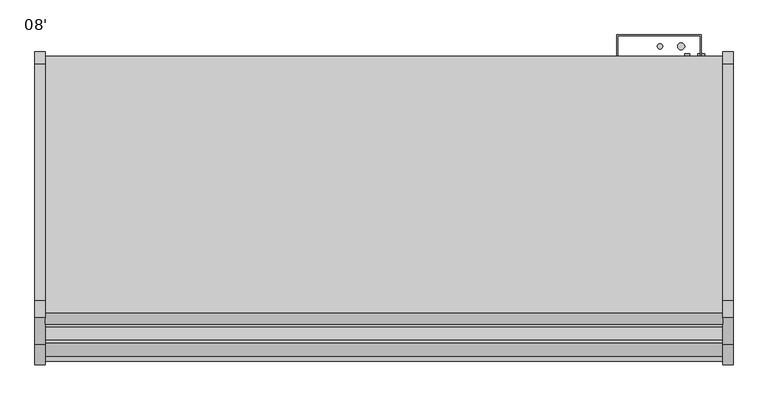
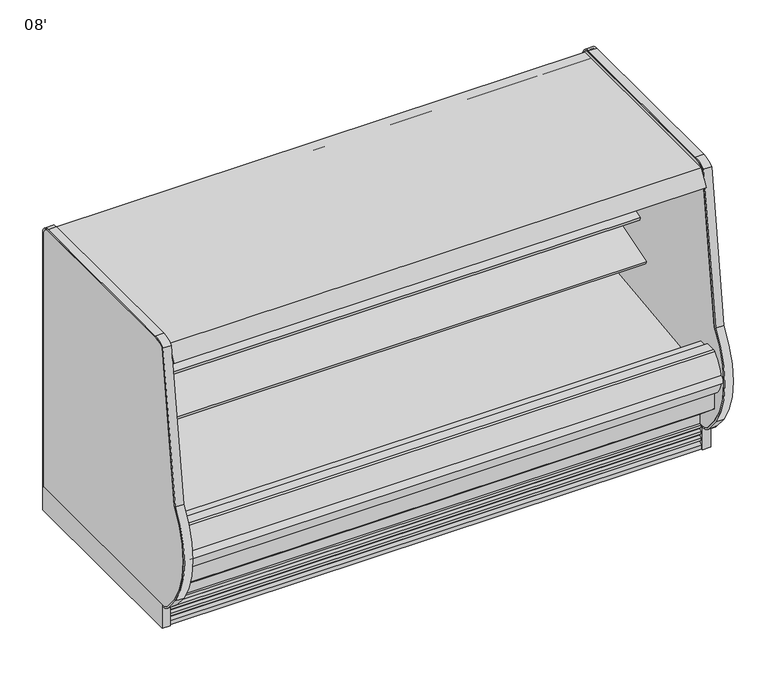
"""IFC4 building model written with IfcOpenShell, lengths in millimetres: proxy geometry, 08'."""

import ifcopenshell
import ifcopenshell.guid

model = None  # the IFC model being written
_history = None  # IfcOwnerHistory: only IFC2X3 demands one
_inside = {}  # id of a spatial element -> (the spatial element, [elements in it])
_under = {}  # id of a project, library or spatial element -> (it, [spatial elements below it])
_declared = {}  # id of a project -> (the project, [libraries it declares])
_typed = {}  # id of a type object -> (the type object, [elements of that type])
_made_of = {}  # id of a material, layer set ... -> (it, [elements and type objects made of it])


def new_model(schema):
    """Start an empty IFC model of exactly this schema.

    Asked for "IFC4X3", IfcOpenShell would pick the latest addendum, in which some entities
    have other attributes; the version numbers below select the first issue.
    IFC2X3 requires an IfcOwnerHistory on every rooted entity: one is made here for all.
    """
    global model, _history
    if schema == "IFC4X3":
        model = ifcopenshell.file(schema_version=(4, 3, 0, 0))
    else:
        model = ifcopenshell.file(schema=schema)
    _inside.clear()
    _under.clear()
    _declared.clear()
    _typed.clear()
    _made_of.clear()
    _history = None
    if model.schema == "IFC2X3":
        org = make("IfcOrganization", Name="unknown")
        user = make(
            "IfcPersonAndOrganization",
            ThePerson=make("IfcPerson", FamilyName="unknown"),
            TheOrganization=org,
        )
        app = make(
            "IfcApplication",
            ApplicationDeveloper=org,
            Version="unknown",
            ApplicationFullName="unknown",
            ApplicationIdentifier="unknown",
        )
        _history = make(
            "IfcOwnerHistory",
            OwningUser=user,
            OwningApplication=app,
            ChangeAction="ADDED",
            CreationDate=0,
        )
    return model


def make(cls, **values):
    """One entity of the class cls with the attributes given. An attribute that is None is left unset."""
    return model.create_entity(
        cls, **{name: value for name, value in values.items() if value is not None}
    )


def rooted(cls, **values):
    """An entity with a GlobalId (a new one), such as an element, a storey or a relation."""
    return make(cls, GlobalId=ifcopenshell.guid.new(), OwnerHistory=_history, **values)


def si_unit(unit_type, name, prefix=None):
    """IfcSIUnit, for example si_unit("LENGTHUNIT", "METRE", prefix="MILLI")."""
    return make("IfcSIUnit", UnitType=unit_type, Prefix=prefix, Name=name)


def assignment(units):
    """IfcUnitAssignment: the units of a project."""
    return None if units is None else make("IfcUnitAssignment", Units=units)


def point(xyz):
    """IfcCartesianPoint."""
    return None if xyz is None else make("IfcCartesianPoint", Coordinates=xyz)


def direction(xyz):
    """IfcDirection."""
    return None if xyz is None else make("IfcDirection", DirectionRatios=xyz)


def frame(location, z_axis=None, x_axis=None):
    """IfcAxis2Placement3D, a coordinate frame: its origin and axes. An axis left out is left unset."""
    return make(
        "IfcAxis2Placement3D",
        Location=point(location),
        Axis=direction(z_axis),
        RefDirection=direction(x_axis),
    )


def frame_2d(location, x_axis=None):
    """IfcAxis2Placement2D, a coordinate frame in the plane: its origin and x axis."""
    return make(
        "IfcAxis2Placement2D", Location=point(location), RefDirection=direction(x_axis)
    )


def origin():
    """The frame at (0, 0, 0) with its axes left unset."""
    return frame((0.0, 0.0, 0.0))


def origin_with_axes():
    """The frame at (0, 0, 0) with the z axis (0, 0, 1) and the x axis (1, 0, 0) written out."""
    return frame((0.0, 0.0, 0.0), z_axis=(0.0, 0.0, 1.0), x_axis=(1.0, 0.0, 0.0))


def place(relative_to, where):
    """IfcLocalPlacement: puts the frame where relative to a parent placement (None: the world)."""
    return make(
        "IfcLocalPlacement", PlacementRelTo=relative_to, RelativePlacement=where
    )


def context(
    kind, dimensions, precision=None, world=None, true_north=None, identifier=None
):
    """IfcGeometricRepresentationContext, for example the 3D "Model" context."""
    return make(
        "IfcGeometricRepresentationContext",
        ContextIdentifier=identifier,
        ContextType=kind,
        CoordinateSpaceDimension=dimensions,
        Precision=precision,
        WorldCoordinateSystem=world,
        TrueNorth=true_north,
    )


def project(units=None, contexts=None):
    """IfcProject with its units and contexts."""
    return rooted(
        "IfcProject",
        Name="project",
        RepresentationContexts=contexts,
        UnitsInContext=assignment(units),
    )


def spatial(cls, under=None, at=None, **own):
    """A site, building, storey or space (cls), placed at a placement, below another one or the project."""
    s = rooted(cls, ObjectPlacement=at, **own)
    if under is not None:
        _under.setdefault(under.id(), (under, []))[1].append(s)
    return s


def polyline(points):
    """IfcPolyline through the points."""
    return make("IfcPolyline", Points=[point(p) for p in points])


def circle_curve(where, radius):
    """IfcCircle in the frame where."""
    return make("IfcCircle", Position=where, Radius=radius)


def trimmed(basis, trim1, trim2, sense, master):
    """IfcTrimmedCurve: the piece of a basis curve between two trims."""
    return make(
        "IfcTrimmedCurve",
        BasisCurve=basis,
        Trim1=trim1,
        Trim2=trim2,
        SenseAgreement=sense,
        MasterRepresentation=master,
    )


def segment(curve, same_sense, transition):
    """IfcCompositeCurveSegment."""
    return make(
        "IfcCompositeCurveSegment",
        Transition=transition,
        SameSense=same_sense,
        ParentCurve=curve,
    )


def composite_curve(segments, self_intersect=None):
    """IfcCompositeCurve: segments joined end to end."""
    return make("IfcCompositeCurve", Segments=segments, SelfIntersect=self_intersect)


def outline(outer, holes=None, kind="AREA"):
    """IfcArbitraryClosedProfileDef: a profile drawn as a closed curve; with holes, ...WithVoids."""
    if holes is None:
        return make("IfcArbitraryClosedProfileDef", ProfileType=kind, OuterCurve=outer)
    return make(
        "IfcArbitraryProfileDefWithVoids",
        ProfileType=kind,
        OuterCurve=outer,
        InnerCurves=holes,
    )


def extrude(swept, where, along, depth):
    """IfcExtrudedAreaSolid: the profile swept, set in the frame where, extruded along a direction by depth."""
    return make(
        "IfcExtrudedAreaSolid",
        SweptArea=swept,
        Position=where,
        ExtrudedDirection=direction(along),
        Depth=depth,
    )


def shape(context_of_items, identifier, shape_type, items):
    """IfcShapeRepresentation: the items that make up one representation, for example the "Body"."""
    return make(
        "IfcShapeRepresentation",
        ContextOfItems=context_of_items,
        RepresentationIdentifier=identifier,
        RepresentationType=shape_type,
        Items=items,
    )


def source(mapping_origin, context_of_items, identifier, shape_type, items):
    """IfcRepresentationMap: a shape defined once, which mapped items show again and again."""
    return make(
        "IfcRepresentationMap",
        MappingOrigin=mapping_origin,
        MappedRepresentation=shape(context_of_items, identifier, shape_type, items),
    )


def transform(
    local_origin,
    x_axis=None,
    y_axis=None,
    z_axis=None,
    scale=None,
    scale2=None,
    scale3=None,
    uniform=True,
):
    """IfcCartesianTransformationOperator3D, or its non-uniform kind. x_axis, y_axis, z_axis: its Axis1, 2, 3."""
    if uniform:
        return make(
            "IfcCartesianTransformationOperator3D",
            Axis1=direction(x_axis),
            Axis2=direction(y_axis),
            LocalOrigin=point(local_origin),
            Scale=scale,
            Axis3=direction(z_axis),
        )
    return make(
        "IfcCartesianTransformationOperator3DnonUniform",
        Axis1=direction(x_axis),
        Axis2=direction(y_axis),
        LocalOrigin=point(local_origin),
        Scale=scale,
        Axis3=direction(z_axis),
        Scale2=scale2,
        Scale3=scale3,
    )


def mapped(mapping_source, mapping_target):
    """IfcMappedItem: shows the shape of a source again, moved by a transform."""
    return make(
        "IfcMappedItem", MappingSource=mapping_source, MappingTarget=mapping_target
    )


def made_of(thing, what):
    """Note that an element or type object is made of a material, layer set ...; save() writes the relation."""
    if what is not None:
        _made_of.setdefault(what.id(), (what, []))[1].append(thing)
    return thing


def element(
    cls,
    number,
    at=None,
    inside=None,
    cuts=None,
    type_object=None,
    material=None,
    context=None,
    identifier="Body",
    shape_type=None,
    held_by="IfcProductDefinitionShape",
    body=None,
    shapes=None,
    **own,
):
    """One element of the class cls, such as IfcWall. Its Tag is "e" and its number.

    at: its placement. inside: the storey or other place that contains it. cuts: it is an
    opening in that element (IfcRelVoidsElement). A single representation is given by context,
    identifier, shape_type and body (its items); several are given by shapes. held_by: the class
    of the entity that holds the representations. save() writes the other relations.
    """
    e = rooted(cls, Tag="e%d" % number, ObjectPlacement=at, **own)
    if body is not None:
        shapes = [shape(context, identifier, shape_type, body)]
    if shapes is not None:
        e.Representation = make(held_by, Representations=shapes)
    if inside is not None:
        _inside.setdefault(inside.id(), (inside, []))[1].append(e)
    if cuts is not None:
        rooted(
            "IfcRelVoidsElement", RelatingBuildingElement=cuts, RelatedOpeningElement=e
        )
    if type_object is not None:
        _typed.setdefault(type_object.id(), (type_object, []))[1].append(e)
    return made_of(e, material)


def aggregate(whole, parts):
    """IfcRelAggregates: a whole, such as a stair, and the parts it consists of."""
    return rooted("IfcRelAggregates", RelatingObject=whole, RelatedObjects=parts)


def save(model, path):
    """Write the relations noted so far, then the file.

    IfcRelAggregates (storeys below a building ...), IfcRelContainedInSpatialStructure (elements
    in a storey), IfcRelDefinesByType, IfcRelAssociatesMaterial and IfcRelDeclares: one each for
    every whole, place, type object, material and project.
    """
    for whole, parts in _under.values():
        aggregate(whole, parts)
    for where, things in _inside.values():
        rooted(
            "IfcRelContainedInSpatialStructure",
            RelatedElements=things,
            RelatingStructure=where,
        )
    for kind, things in _typed.values():
        rooted("IfcRelDefinesByType", RelatedObjects=things, RelatingType=kind)
    for what, things in _made_of.values():
        rooted("IfcRelAssociatesMaterial", RelatedObjects=things, RelatingMaterial=what)
    for by, libraries in _declared.values():
        rooted("IfcRelDeclares", RelatingContext=by, RelatedDefinitions=libraries)
    model.write(path)


def plane_surface(at):
    """IfcPlane: the flat surface through the origin of the frame at, square to its z axis."""
    return make("IfcPlane", Position=at)


def cylinder_surface(at, radius):
    """IfcCylindricalSurface: all points at the distance radius from the z axis of the frame at."""
    return make("IfcCylindricalSurface", Position=at, Radius=radius)


def revolved_surface(curve, axis_point, axis_direction):
    """IfcSurfaceOfRevolution: the curve turned about the line through axis_point along axis_direction."""
    return make(
        "IfcSurfaceOfRevolution",
        SweptCurve=make("IfcArbitraryOpenProfileDef", ProfileType="CURVE", Curve=curve),
        AxisPosition=make("IfcAxis1Placement", Location=point(axis_point), Axis=direction(axis_direction)),
    )


def advanced_brep(points, edges, surfaces, faces):
    """IfcAdvancedBrep: a solid bounded by faces that lie on surfaces and meet in shared edges.

    An edge is (start, end): straight between two places in points (the first is 0);
    or (start, end, curve); or (start, end, curve, False) where it runs against its curve.
    A face is (place in surfaces, loops), or (place, loops, False) where it looks against
    its surface's normal. A loop lists edges by number (the first is 1), with a minus sign
    where the edge is run from its end to its start. The first loop is the outer one.
    """
    corners = [point(p) for p in points]
    vertices = [make("IfcVertexPoint", VertexGeometry=c) for c in corners]
    made = []
    for start, end, *more in edges:
        made.append(
            make(
                "IfcEdgeCurve",
                EdgeStart=vertices[start],
                EdgeEnd=vertices[end],
                EdgeGeometry=more[0] if more else make("IfcPolyline", Points=[corners[start], corners[end]]),
                SameSense=more[1] if len(more) > 1 else True,
            )
        )
    hull = []
    for where, loops, *sense in faces:
        bounds = []
        for j, loop in enumerate(loops):
            ring = [make("IfcOrientedEdge", EdgeElement=made[abs(k) - 1], Orientation=k > 0) for k in loop]
            bounds.append(
                make(
                    "IfcFaceOuterBound" if j == 0 else "IfcFaceBound",
                    Bound=make("IfcEdgeLoop", EdgeList=ring),
                    Orientation=True,
                )
            )
        hull.append(make("IfcAdvancedFace", Bounds=bounds, FaceSurface=surfaces[where], SameSense=sense[0] if sense else True))
    return make("IfcAdvancedBrep", Outer=make("IfcClosedShell", CfsFaces=hull))


def proxy_08_444052d3(model_context):
    return source(origin(), model_context, "Body", "SolidModel", [
        extrude(outline(polyline([(-401.5420871, 1362.075), (-401.5420871, 1282.7), (-1093.7252469, 1282.7), (-1105.8015638, 1256.802255), (-1200.4085361, 1300.9182107), (-1225.1961342, 1305.288933), (-1309.2527356, 1334.231942), (-1332.5110244, 1334.231942), (-1360.1052943, 1286.4372646), (-1366.903609, 1290.3622734), (-1325.5002469, 1362.075), (-401.5420871, 1362.075)])), frame((0.0, 0.0, 0.0), z_axis=(1.0, 0.0, 0.0), x_axis=(0.0, 1.0, 0.0)), (0.0, 0.0, 1.0), 2438.4),
        extrude(outline(composite_curve([segment(polyline([(-1096.5213314, 1282.4140888), (-1106.5849287, 1260.8326346), (-1113.060516, 1263.8522505), (-1190.7525796, 1300.0806548), (-1197.8046638, 1303.4346622)]), True, "CONTINUOUS"), segment(trimmed(circle_curve(frame_2d((-1197.4664735, 1304.145736)), 0.7874), [point((-1197.8046638, 1303.4346622))], [point((-1198.1775473, 1304.4839264))], False, "CARTESIAN"), True, "CONTINUOUS"), segment(polyline([(-1198.1775473, 1304.4839264), (-1188.316007, 1325.218649), (-1096.5213314, 1282.4140888)]), True, "CONTINUOUS")], self_intersect=False)), frame((0.0, 0.0, 0.0), z_axis=(1.0, 0.0, 0.0), x_axis=(0.0, 1.0, 0.0)), (0.0, 0.0, 1.0), 2438.4),
        extrude(outline(composite_curve([segment(trimmed(circle_curve(frame_2d((-1261.1428884, 1298.0740592)), 14.2875), [point((-1274.5687467, 1302.960672))], [point((-1247.7170301, 1293.1874464))], False, "CARTESIAN"), True, "CONTINUOUS"), segment(trimmed(circle_curve(frame_2d((-1261.1428884, 1298.0740592)), 14.2875), [point((-1247.7170301, 1293.1874464))], [point((-1274.5687467, 1302.960672))], False, "CARTESIAN"), True, "CONTINUOUS")], self_intersect=False)), frame((0.0, 0.0, 0.0), z_axis=(1.0, 0.0, 0.0), x_axis=(0.0, 1.0, 0.0)), (0.0, 0.0, 1.0), 2438.4),
        extrude(outline(composite_curve([segment(trimmed(circle_curve(frame_2d((-1296.2768679, 1310.8617819)), 14.2875), [point((-1309.7027262, 1315.7483947))], [point((-1282.8510095, 1305.9751691))], False, "CARTESIAN"), True, "CONTINUOUS"), segment(trimmed(circle_curve(frame_2d((-1296.2768679, 1310.8617819)), 14.2875), [point((-1282.8510095, 1305.9751691))], [point((-1309.7027262, 1315.7483947))], False, "CARTESIAN"), True, "CONTINUOUS")], self_intersect=False)), frame((0.0, 0.0, 0.0), z_axis=(1.0, 0.0, 0.0), x_axis=(0.0, 1.0, 0.0)), (0.0, 0.0, 1.0), 2438.4),
        advanced_brep(
        [(2438.4, -503.5101743, 931.1949857), (2438.4, -843.5721456, 827.2276075), (2438.4, -839.4134505, 813.6251286), (2438.4, -785.6425933, 830.0645294), (2438.4, -783.2129491, 827.2095892), (2438.4, -595.4964367, 859.8203852), (2438.4, -560.8622707, 856.1425043), (2438.4, -539.5668728, 847.5478657), (2438.4, -522.2225366, 846.9415182), (2438.4, -503.5101743, 852.9872079), (0.0, -503.5101743, 931.1949857), (0.0, -503.5101743, 852.9872079), (0.0, -522.2151998, 846.918903), (0.0, -539.5668728, 847.5478657), (0.0, -560.8622707, 856.1425043), (0.0, -595.4964367, 859.8203852), (0.0, -783.2129491, 827.2095892), (0.0, -785.6425933, 830.0645294), (0.0, -839.4134505, 813.6251286), (0.0, -843.5721456, 827.2276075)],
        [
            (0, 1),
            (1, 2),
            (2, 3),
            (3, 4),
            (4, 5),
            (5, 6, circle_curve(frame((2438.4, -584.627774, 797.2574396), z_axis=(-1.0, 0.0, 0.0), x_axis=(0.0, 1.0, 0.0)), 63.5)),
            (6, 7),
            (7, 8, circle_curve(frame((2438.4, -530.0606714, 871.1018916), z_axis=(1.0, 0.0, 0.0), x_axis=(0.0, 1.0, 0.0)), 25.4)),
            (8, 9),
            (9, 0),
            (10, 11),
            (11, 12),
            (12, 13, circle_curve(frame((0.0, -530.0606714, 871.1018916), z_axis=(-1.0, 0.0, 0.0), x_axis=(0.0, 1.0, 0.0)), 25.4)),
            (13, 14),
            (14, 15, circle_curve(frame((0.0, -584.627774, 797.2574396), z_axis=(1.0, 0.0, 0.0), x_axis=(0.0, 1.0, 0.0)), 63.5)),
            (15, 16),
            (16, 17),
            (17, 18),
            (18, 19),
            (19, 10),
            (0, 10),
            (19, 1),
            (2, 18),
            (17, 3),
            (8, 12),
            (11, 9),
            (16, 4),
            (15, 5),
            (14, 6),
            (13, 7),
        ],
        [
            plane_surface(frame((2438.4, -503.5101743, 931.1949857), z_axis=(1.0, 0.0, 0.0), x_axis=(0.0, -0.9563047559631227, -0.2923717047224515))),
            plane_surface(frame((0.0, -503.5101743, 931.1949857), z_axis=(-1.0, 0.0, 0.0), x_axis=(0.0, 0.9563047559631227, 0.2923717047224515))),
            plane_surface(frame((2438.4, -503.5101743, 931.1949857), z_axis=(0.0, -0.2923717047224515, 0.9563047559631227), x_axis=(-1.0, 0.0, 0.0))),
            plane_surface(frame((2438.4, -839.4134505, 813.6251286), z_axis=(0.0, 0.2923717047224507, -0.9563047559631229), x_axis=(-1.0, 0.0, 0.0))),
            plane_surface(frame((2438.4, -522.2151998, 846.918903), z_axis=(0.0, 0.3085879853198186, -0.9511958028272914), x_axis=(-1.0, 0.0, 0.0))),
            plane_surface(frame((2438.4, -503.5101743, 852.9872079), z_axis=(0.0, 1.0, 0.0), x_axis=(-1.0, 0.0, 0.0))),
            plane_surface(frame((2438.4, -843.5721456, 827.2276075), z_axis=(0.0, -0.9563047559631227, -0.29237170472245155), x_axis=(-1.0, 0.0, 0.0))),
            plane_surface(frame((2438.4, -785.6425933, 830.0645294), z_axis=(0.0, -0.761551533788134, -0.648104359949029), x_axis=(-1.0, 0.0, 0.0))),
            plane_surface(frame((2438.4, -783.2129491, 827.2095892), z_axis=(0.0, 0.1711600427683192, -0.9852432388804032), x_axis=(-1.0, 0.0, 0.0))),
            revolved_surface(polyline([(0.0, -521.127774, 797.2574396), (2438.4, -521.127774, 797.2574396)]), (0.0, -584.627774, 797.2574396), (-1.0, 0.0, 0.0)),
            plane_surface(frame((2438.4, -560.8622707, 856.1425043), z_axis=(0.0, -0.37425989519044295, -0.9273238543529648), x_axis=(-1.0, 0.0, 0.0))),
            cylinder_surface(frame((0.0, -530.0606714, 871.1018916), z_axis=(1.0, 0.0, 0.0), x_axis=(0.0, 1.0, 0.0)), 25.4),
        ],
        [
            (0, [[1, 2, 3, 4, 5, 6, 7, 8, 9, 10]]),
            (1, [[11, 12, 13, 14, 15, 16, 17, 18, 19, 20]]),
            (2, [[-1, 21, -20, 22]]),
            (3, [[-3, 23, -18, 24]]),
            (4, [[-9, 25, -12, 26]]),
            (5, [[-10, -26, -11, -21]]),
            (6, [[-2, -22, -19, -23]]),
            (7, [[-4, -24, -17, 27]]),
            (8, [[-5, -27, -16, 28]]),
            (9, [[-6, -28, -15, 29]]),
            (10, [[-7, -29, -14, 30]]),
            (11, [[-8, -30, -13, -25]]),
        ],
    ),
        advanced_brep(
        [(0.0, -401.5420871, 1362.1205827), (0.0, -401.5420871, 130.175), (0.0, -1280.80896, 130.175), (0.0, -1430.5207837, 255.8259604), (0.0, -1430.5207837, 390.4771975), (0.0, -1379.5124455, 390.4771975), (0.0, -1379.5124455, 334.3739209), (0.0, -1221.9978428, 189.2843753), (0.0, -1163.9532566, 157.108203), (0.0, -1097.1372497, 157.108203), (0.0, -1044.0253464, 195.6902403), (0.0, -599.4158608, 211.674682), (0.0, -452.3420871, 350.7638053), (0.0, -452.3420871, 1362.1205827), (2438.4, -401.5420871, 1362.1205827), (2438.4, -452.3420871, 1362.1205827), (2438.4, -452.3420871, 350.7638053), (2438.4, -599.4158608, 211.674682), (2438.4, -1044.0253464, 195.6902403), (2438.4, -1097.1372497, 157.108203), (2438.4, -1163.9532566, 157.108203), (2438.4, -1221.9978428, 189.2843753), (2438.4, -1379.5124455, 334.3739209), (2438.4, -1379.5124455, 390.4771975), (2438.4, -1430.5207837, 390.4771975), (2438.4, -1430.5207837, 255.8259604), (2438.4, -1280.80896, 130.175), (2438.4, -401.5420871, 130.175), (2336.8, -401.5420871, 417.7254285), (2336.8, -401.5420871, 316.1254285), (2336.8, -446.7209273, 316.1254285), (2336.8, -446.7209273, 417.7254285)],
        [
            (0, 1),
            (1, 2),
            (2, 3),
            (3, 4),
            (4, 5),
            (5, 6),
            (6, 7, circle_curve(frame((0.0, -1227.3166131, 341.5567466), z_axis=(1.0, 0.0, 0.0), x_axis=(0.0, 1.0, 0.0)), 152.3652335)),
            (7, 8),
            (8, 9),
            (9, 10),
            (10, 11),
            (11, 12, circle_curve(frame((0.0, -604.9275955, 364.8057873), z_axis=(1.0, 0.0, 0.0), x_axis=(0.0, 1.0, 0.0)), 153.2302667)),
            (12, 13),
            (13, 0),
            (14, 15),
            (15, 16),
            (16, 17, circle_curve(frame((2438.4, -604.9275955, 364.8057873), z_axis=(-1.0, 0.0, 0.0), x_axis=(0.0, 1.0, 0.0)), 153.2302667)),
            (17, 18),
            (18, 19),
            (19, 20),
            (20, 21),
            (21, 22, circle_curve(frame((2438.4, -1227.3166131, 341.5567466), z_axis=(-1.0, 0.0, 0.0), x_axis=(0.0, 1.0, 0.0)), 152.3652335)),
            (22, 23),
            (23, 24),
            (24, 25),
            (25, 26),
            (26, 27),
            (27, 14),
            (13, 15),
            (14, 0),
            (12, 16),
            (5, 23),
            (22, 6),
            (4, 24),
            (3, 25),
            (2, 26),
            (1, 27),
            (28, 29, circle_curve(frame((2336.8, -401.5420871, 366.9254285), z_axis=(0.0, -1.0, 0.0), x_axis=(0.0, 0.0, 1.0)), 50.8)),
            (29, 28, circle_curve(frame((2336.8, -401.5420871, 366.9254285), z_axis=(0.0, -1.0, 0.0), x_axis=(0.0, 0.0, 1.0)), 50.8)),
            (11, 17),
            (10, 18),
            (9, 19),
            (8, 20),
            (7, 21),
            (30, 31, circle_curve(frame((2336.8, -446.7209273, 366.9254285), z_axis=(0.0, 1.0, 0.0), x_axis=(0.0, 0.0, 1.0)), 50.8)),
            (31, 30, circle_curve(frame((2336.8, -446.7209273, 366.9254285), z_axis=(0.0, 1.0, 0.0), x_axis=(0.0, 0.0, 1.0)), 50.8)),
            (30, 29),
            (28, 31),
        ],
        [
            plane_surface(frame((0.0, -452.3420871, 1362.1205827), z_axis=(-1.0, 0.0, 0.0), x_axis=(0.0, 1.0, 0.0))),
            plane_surface(frame((2438.4, -452.3420871, 1362.1205827), z_axis=(1.0, 0.0, 0.0), x_axis=(0.0, -1.0, 0.0))),
            plane_surface(frame((2438.4, -401.5420871, 1362.1205827), z_axis=(0.0, 0.0, 1.0), x_axis=(-1.0, 0.0, 0.0))),
            plane_surface(frame((2438.4, -452.3420871, 1362.1205827), z_axis=(0.0, -1.0, 0.0), x_axis=(-1.0, 0.0, 0.0))),
            plane_surface(frame((2438.4, -1379.5124455, 334.3739209), z_axis=(0.0, 1.0, 0.0), x_axis=(-1.0, 0.0, 0.0))),
            plane_surface(frame((2438.4, -1379.5124455, 390.4771975), z_axis=(0.0, 0.0, 1.0), x_axis=(-1.0, 0.0, 0.0))),
            plane_surface(frame((2438.4, -1430.5207837, 390.4771975), z_axis=(0.0, -1.0, 0.0), x_axis=(-1.0, 0.0, 0.0))),
            plane_surface(frame((2438.4, -1430.5207837, 255.8259604), z_axis=(0.0, -0.642871145330384, -0.7659743406287187), x_axis=(-1.0, 0.0, 0.0))),
            plane_surface(frame((2438.4, -1280.80896, 130.175), z_axis=(0.0, 0.0, -1.0), x_axis=(-1.0, 0.0, 0.0))),
            plane_surface(frame((2438.4, -401.5420871, 130.175), z_axis=(0.0, 1.0, 0.0), x_axis=(-1.0, 0.0, 0.0))),
            revolved_surface(polyline([(0.0, -451.69732880000004, 364.8057873), (2438.4, -451.69732880000004, 364.8057873)]), (0.0, -604.9275955, 364.8057873), (-1.0, 0.0, 0.0)),
            plane_surface(frame((2438.4, -599.4158608, 211.674682), z_axis=(0.0, -0.035928431956195744, 0.9993543654666092), x_axis=(-1.0, 0.0, 0.0))),
            plane_surface(frame((2438.4, -1044.0253464, 195.6902403), z_axis=(0.0, -0.5877252382161418, 0.8090605937528904), x_axis=(-1.0, 0.0, 0.0))),
            plane_surface(frame((2438.4, -1097.1372497, 157.108203), z_axis=(0.0, 0.0, 1.0), x_axis=(-1.0, 0.0, 0.0))),
            plane_surface(frame((2438.4, -1163.9532566, 157.108203), z_axis=(0.0, 0.4848272875913493, 0.87460991373687), x_axis=(-1.0, 0.0, 0.0))),
            revolved_surface(polyline([(0.0, -1074.9513796, 341.5567466), (2438.4, -1074.9513796, 341.5567466)]), (0.0, -1227.3166131, 341.5567466), (-1.0, 0.0, 0.0)),
            plane_surface(frame((2336.8, -446.7209273, 417.7254285), z_axis=(0.0, 1.0, 0.0), x_axis=(-1.0, 0.0, 0.0))),
            revolved_surface(polyline([(2336.8, -401.5420871, 417.7254285), (2336.8, -446.7209273, 417.7254285)]), (2336.8, -446.7209273, 366.9254285), (0.0, 1.0, 0.0)),
        ],
        [
            (0, [[1, 2, 3, 4, 5, 6, 7, 8, 9, 10, 11, 12, 13, 14]]),
            (1, [[15, 16, 17, 18, 19, 20, 21, 22, 23, 24, 25, 26, 27, 28]]),
            (2, [[-14, 29, -15, 30]]),
            (3, [[-13, 31, -16, -29]]),
            (4, [[-6, 32, -23, 33]]),
            (5, [[-5, 34, -24, -32]]),
            (6, [[-4, 35, -25, -34]]),
            (7, [[-3, 36, -26, -35]]),
            (8, [[-2, 37, -27, -36]]),
            (9, [[-1, -30, -28, -37], [38, 39]]),
            (10, [[-12, 40, -17, -31]]),
            (11, [[-11, 41, -18, -40]]),
            (12, [[-10, 42, -19, -41]]),
            (13, [[-9, 43, -20, -42]]),
            (14, [[-8, 44, -21, -43]]),
            (15, [[-7, -33, -22, -44]]),
            (16, [[45, 46]]),
            (17, [[-45, 47, -38, 48]]),
            (17, [[-46, -48, -39, -47]]),
        ],
    ),
        extrude(outline(composite_curve([segment(polyline([(-503.5101744, 1108.1412699), (-503.5101744, 1029.9334921), (-520.8851964, 1024.2966684)]), True, "CONTINUOUS"), segment(trimmed(circle_curve(frame_2d((-528.7233313, 1048.4570418)), 25.4), [point((-520.8851964, 1024.2966684))], [point((-538.2295326, 1024.9030158))], False, "CARTESIAN"), True, "CONTINUOUS"), segment(polyline([(-538.2295326, 1024.9030158), (-559.5249305, 1033.4976544)]), True, "CONTINUOUS"), segment(trimmed(circle_curve(frame_2d((-583.2904338, 974.6125897)), 63.5), [point((-559.5249305, 1033.4976544))], [point((-594.1590965, 1037.1755354))], True, "CARTESIAN"), True, "CONTINUOUS"), segment(polyline([(-594.1590965, 1037.1755354), (-731.9271964, 1019.8355015), (-734.3568405, 1022.6904418), (-790.8331688, 1005.4238954), (-794.991864, 1019.0263743), (-503.5101744, 1108.1412699)]), True, "CONTINUOUS")], self_intersect=False)), frame((0.0, 0.0, 0.0), z_axis=(1.0, 0.0, 0.0), x_axis=(0.0, 1.0, 0.0)), (0.0, 0.0, 1.0), 2438.4),
        extrude(outline(composite_curve([segment(polyline([(-503.5101744, 684.5796647), (-522.2225366, 678.5089796)]), True, "CONTINUOUS"), segment(trimmed(circle_curve(frame_2d((-530.0606714, 702.669353)), 25.4), [point((-522.2225366, 678.5089796))], [point((-539.5668728, 679.1153271))], False, "CARTESIAN"), True, "CONTINUOUS"), segment(polyline([(-539.5668728, 679.1153271), (-560.8622707, 687.7099657)]), True, "CONTINUOUS"), segment(trimmed(circle_curve(frame_2d((-584.627774, 628.8249009)), 63.5), [point((-560.8622707, 687.7099657))], [point((-595.4964367, 691.3878466))], True, "CARTESIAN"), True, "CONTINUOUS"), segment(polyline([(-595.4964367, 691.3878466), (-783.2129491, 658.7770506), (-785.6425933, 661.6319908), (-887.993732, 630.3401074), (-892.1524272, 643.9425862), (-503.5101744, 762.762447), (-503.5101744, 684.5796647)]), True, "CONTINUOUS")], self_intersect=False)), frame((0.0, 0.0, 0.0), z_axis=(1.0, 0.0, 0.0), x_axis=(0.0, 1.0, 0.0)), (0.0, 0.0, 1.0), 2438.4),
        extrude(outline(composite_curve([segment(trimmed(circle_curve(frame_2d((-1481.8568934, 431.5331592)), 18.450875), [point((-1485.1962049, 413.3869809))], [point((-1484.859656, 449.7380543))], False, "CARTESIAN"), True, "CONTINUOUS"), segment(polyline([(-1484.859656, 449.7380543), (-1486.2875159, 444.2788694)]), True, "CONTINUOUS"), segment(trimmed(circle_curve(frame_2d((-1359.7644053, 433.283303)), 126.9999999), [point((-1486.2875159, 444.2788694))], [point((-1485.1962049, 413.3869809))], True, "CARTESIAN"), True, "CONTINUOUS")], self_intersect=False)), frame((0.0, 0.0, 0.0), z_axis=(1.0, 0.0, 0.0), x_axis=(0.0, 1.0, 0.0)), (0.0, 0.0, 1.0), 2438.4),
        extrude(outline(composite_curve([segment(polyline([(-1430.5207837, 390.4771975), (-1430.5207837, 349.2540688), (-1454.9909131, 349.2540688)]), True, "CONTINUOUS"), segment(trimmed(circle_curve(frame_2d((-1359.7644053, 433.283303)), 126.9999999), [point((-1454.9909131, 349.2540688))], [point((-1486.2875159, 444.2788694))], False, "CARTESIAN"), True, "CONTINUOUS"), segment(trimmed(circle_curve(frame_2d((-1312.9030759, 405.0685499)), 177.7628003), [point((-1486.2875159, 444.2788694))], [point((-1433.6857347, 535.4953973))], False, "CARTESIAN"), True, "CONTINUOUS"), segment(trimmed(circle_curve(frame_2d((-1422.8289382, 523.7717132)), 15.9785731), [point((-1433.6857347, 535.4953973))], [point((-1422.9245877, 539.75))], False, "CARTESIAN"), True, "CONTINUOUS"), segment(polyline([(-1422.9245877, 539.75), (-1377.3315877, 539.75), (-1377.3315877, 520.4426474), (-1379.5124455, 520.4426474), (-1379.5124455, 390.4771975), (-1430.5207837, 390.4771975)]), True, "CONTINUOUS")], self_intersect=False)), frame((0.0, 0.0, 0.0), z_axis=(1.0, 0.0, 0.0), x_axis=(0.0, 1.0, 0.0)), (0.0, 0.0, 1.0), 2438.4),
        extrude(outline(composite_curve([segment(polyline([(-1305.8908654, 151.2490419), (-1305.8908654, 0.0), (-1329.0357106, 0.0), (-1329.0357106, 19.9045671)]), True, "CONTINUOUS"), segment(trimmed(circle_curve(frame_2d((-1328.499887, 33.5999438)), 13.7058546), [point((-1329.0357106, 19.9045671))], [point((-1315.4179076, 29.51188))], True, "CARTESIAN"), True, "CONTINUOUS"), segment(polyline([(-1315.4179076, 29.51188), (-1311.9288106, 40.67714), (-1322.5660058, 38.5193172), (-1324.5599058, 38.5193172), (-1324.5599058, 51.2193172)]), True, "CONTINUOUS"), segment(trimmed(circle_curve(frame_2d((-1328.9777736, 64.7214645)), 14.2065314), [point((-1324.5599058, 51.2193172))], [point((-1315.4179076, 60.4840631))], True, "CARTESIAN"), True, "CONTINUOUS"), segment(polyline([(-1315.4179076, 60.4840631), (-1311.9288106, 71.6493231), (-1322.5660058, 69.4915004), (-1324.5599058, 69.4915004), (-1324.5599058, 82.1915004)]), True, "CONTINUOUS"), segment(trimmed(circle_curve(frame_2d((-1329.0501489, 95.765064)), 14.2969897), [point((-1324.5599058, 82.1915004))], [point((-1315.4179076, 91.4562462))], True, "CARTESIAN"), True, "CONTINUOUS"), segment(polyline([(-1315.4179076, 91.4562462), (-1311.9288106, 102.4950543), (-1322.5660058, 100.4638704), (-1324.5599058, 100.4638704), (-1324.5599058, 113.1638704)]), True, "CONTINUOUS"), segment(trimmed(circle_curve(frame_2d((-1323.9621412, 124.1285303)), 10.9809422), [point((-1324.5599058, 113.1638704))], [point((-1316.1764071, 116.3849243))], True, "CARTESIAN"), True, "CONTINUOUS"), segment(polyline([(-1316.1764071, 116.3849243), (-1316.1764071, 159.8796362), (-1305.8908654, 151.2490419)]), True, "CONTINUOUS")], self_intersect=False)), frame((0.0, 0.0, 0.0), z_axis=(1.0, 0.0, 0.0), x_axis=(0.0, 1.0, 0.0)), (0.0, 0.0, 1.0), 2438.4),
        extrude(outline(polyline([(688.975, -695.7909621), (688.975, -1117.5324221), (180.975, -1117.5324221), (180.975, -695.7909621), (688.975, -695.7909621)])), frame((0.0, 0.0, 68.5310382), z_axis=(0.0, 0.0, 1.0), x_axis=(1.0, 0.0, 0.0)), (0.0, 0.0, 1.0), 6.35),
        extrude(outline(polyline([(2438.4, -452.3420871), (2438.4, -503.5101744), (0.0, -503.5101744), (0.0, -452.3420871), (2438.4, -452.3420871)])), frame((0.0, 0.0, 415.8429537), z_axis=(0.0, 0.0, 1.0), x_axis=(1.0, 0.0, 0.0)), (0.0, 0.0, 1.0), 867.0899215),
        advanced_brep(
        [(0.0, -503.5101744, 418.8942432), (0.0, -452.3420871, 418.8942432), (0.0, -452.3420871, 350.7638053), (0.0, -599.4158608, 211.674682), (0.0, -1043.4743285, 195.6902403), (0.0, -1096.5862318, 157.108203), (0.0, -1163.4022387, 157.108203), (0.0, -1221.4788318, 189.3021178), (0.0, -1379.5124455, 334.3739209), (0.0, -1379.5124455, 520.4426474), (0.0, -1322.6270145, 520.4426474), (0.0, -1322.6270145, 375.3611369), (0.0, -1298.2271496, 375.3611369), (0.0, -1292.7855784, 377.3027762), (0.0, -599.3992665, 460.375), (0.0, -599.0350944, 455.1670959), (0.0, -516.4106498, 460.9447599), (0.0, -503.5101744, 473.8452354), (2438.4, -503.5101744, 418.8942432), (2438.4, -503.5101744, 473.8452354), (2438.4, -516.4106498, 460.9447599), (2438.4, -599.0350944, 455.1670959), (2438.4, -599.3992665, 460.375), (2438.4, -1292.7855784, 377.3027762), (2438.4, -1298.2271496, 375.3611369), (2438.4, -1322.6270145, 375.3611369), (2438.4, -1322.6270145, 520.4426474), (2438.4, -1379.5124455, 520.4426474), (2438.4, -1379.5124455, 334.3739209), (2438.4, -1221.4788318, 189.3021178), (2438.4, -1163.4022387, 157.108203), (2438.4, -1096.5862318, 157.108203), (2438.4, -1043.4743285, 195.6902403), (2438.4, -599.4158608, 211.674682), (2438.4, -452.3420871, 350.7638053), (2438.4, -452.3420871, 418.8942432)],
        [
            (0, 1),
            (1, 2),
            (2, 3, circle_curve(frame((0.0, -604.9275955, 364.8057873), z_axis=(-1.0, 0.0, 0.0), x_axis=(0.0, 1.0, 0.0)), 153.2302667)),
            (3, 4),
            (4, 5),
            (5, 6),
            (6, 7),
            (7, 8, circle_curve(frame((0.0, -1227.2834533, 341.5915343), z_axis=(-1.0, 0.0, 0.0), x_axis=(0.0, 1.0, 0.0)), 152.4)),
            (8, 9),
            (9, 10),
            (10, 11),
            (11, 12),
            (12, 13),
            (13, 14),
            (14, 15),
            (15, 16),
            (16, 17, circle_curve(frame((0.0, -516.4106498, 473.8452354), z_axis=(1.0, 0.0, 0.0), x_axis=(0.0, 1.0, 0.0)), 12.9004754)),
            (17, 0),
            (18, 19),
            (19, 20, circle_curve(frame((2438.4, -516.4106498, 473.8452354), z_axis=(-1.0, 0.0, 0.0), x_axis=(0.0, 1.0, 0.0)), 12.9004754)),
            (20, 21),
            (21, 22),
            (22, 23),
            (23, 24),
            (24, 25),
            (25, 26),
            (26, 27),
            (27, 28),
            (28, 29, circle_curve(frame((2438.4, -1227.2834533, 341.5915343), z_axis=(1.0, 0.0, 0.0), x_axis=(0.0, 1.0, 0.0)), 152.4)),
            (29, 30),
            (30, 31),
            (31, 32),
            (32, 33),
            (33, 34, circle_curve(frame((2438.4, -604.9275955, 364.8057873), z_axis=(1.0, 0.0, 0.0), x_axis=(0.0, 1.0, 0.0)), 153.2302667)),
            (34, 35),
            (35, 18),
            (34, 2),
            (1, 35),
            (0, 18),
            (17, 19),
            (16, 20),
            (15, 21),
            (14, 22),
            (29, 7),
            (6, 30),
            (5, 31),
            (4, 32),
            (3, 33),
            (13, 23),
            (12, 24),
            (11, 25),
            (10, 26),
            (9, 27),
            (8, 28),
        ],
        [
            plane_surface(frame((0.0, -503.5101744, 473.8452354), z_axis=(-1.0, 0.0, 0.0), x_axis=(0.0, 0.0, -1.0))),
            plane_surface(frame((2438.4, -503.5101744, 473.8452354), z_axis=(1.0, 0.0, 0.0), x_axis=(0.0, 0.0, 1.0))),
            plane_surface(frame((2438.4, -452.3420871, 350.7638053), z_axis=(0.0, 1.0, 0.0), x_axis=(-1.0, 0.0, 0.0))),
            plane_surface(frame((2438.4, -452.3420871, 418.8942432), z_axis=(0.0, 0.0, 1.0), x_axis=(-1.0, 0.0, 0.0))),
            plane_surface(frame((2438.4, -503.5101744, 418.8942432), z_axis=(0.0, 1.0, 0.0), x_axis=(-1.0, 0.0, 0.0))),
            revolved_surface(polyline([(0.0, -503.5101744, 473.8452354), (2438.4, -503.5101744, 473.8452354)]), (0.0, -516.4106498, 473.8452354), (-1.0, 0.0, 0.0)),
            plane_surface(frame((2438.4, -516.4106498, 460.9447599), z_axis=(0.0, -0.06975647369737534, 0.9975640502630934), x_axis=(-1.0, 0.0, 0.0))),
            plane_surface(frame((2438.4, -599.0350944, 455.1670959), z_axis=(0.0, 0.9975640502630916, 0.06975647369740078), x_axis=(-1.0, 0.0, 0.0))),
            plane_surface(frame((2438.4, -1221.4788318, 189.3021178), z_axis=(0.0, -0.48482728759135, -0.8746099137368696), x_axis=(-1.0, 0.0, 0.0))),
            plane_surface(frame((2438.4, -1163.4022387, 157.108203), z_axis=(0.0, 0.0, -1.0), x_axis=(-1.0, 0.0, 0.0))),
            plane_surface(frame((2438.4, -1096.5862318, 157.108203), z_axis=(0.0, 0.5877252382161428, -0.8090605937528897), x_axis=(-1.0, 0.0, 0.0))),
            plane_surface(frame((2438.4, -1043.4743285, 195.6902403), z_axis=(0.0, 0.0359729567363374, -0.9993527637344312), x_axis=(-1.0, 0.0, 0.0))),
            cylinder_surface(frame((0.0, -604.9275955, 364.8057873), z_axis=(1.0, 0.0, 0.0), x_axis=(0.0, 1.0, 0.0)), 153.2302667),
            plane_surface(frame((2438.4, -599.3992665, 460.375), z_axis=(0.0, -0.11895587145051076, 0.9928995420723336), x_axis=(-1.0, 0.0, 0.0))),
            plane_surface(frame((2438.4, -1292.7855784, 377.3027762), z_axis=(0.0, -0.3360633076512325, 0.9418393988629448), x_axis=(-1.0, 0.0, 0.0))),
            plane_surface(frame((2438.4, -1298.2271496, 375.3611369), z_axis=(0.0, 0.0, 1.0), x_axis=(-1.0, 0.0, 0.0))),
            plane_surface(frame((2438.4, -1322.6270145, 375.3611369), z_axis=(0.0, 1.0, 0.0), x_axis=(-1.0, 0.0, 0.0))),
            plane_surface(frame((2438.4, -1322.6270145, 520.4426474), z_axis=(0.0, 0.0, 1.0), x_axis=(-1.0, 0.0, 0.0))),
            plane_surface(frame((2438.4, -1379.5124455, 520.4426474), z_axis=(0.0, -1.0, 0.0), x_axis=(-1.0, 0.0, 0.0))),
            cylinder_surface(frame((0.0, -1227.2834533, 341.5915343), z_axis=(1.0, 0.0, 0.0), x_axis=(0.0, 1.0, 0.0)), 152.4),
        ],
        [
            (0, [[1, 2, 3, 4, 5, 6, 7, 8, 9, 10, 11, 12, 13, 14, 15, 16, 17, 18]]),
            (1, [[19, 20, 21, 22, 23, 24, 25, 26, 27, 28, 29, 30, 31, 32, 33, 34, 35, 36]]),
            (2, [[-35, 37, -2, 38]]),
            (3, [[-36, -38, -1, 39]]),
            (4, [[-19, -39, -18, 40]]),
            (5, [[-20, -40, -17, 41]]),
            (6, [[-21, -41, -16, 42]]),
            (7, [[-22, -42, -15, 43]]),
            (8, [[-30, 44, -7, 45]]),
            (9, [[-31, -45, -6, 46]]),
            (10, [[-32, -46, -5, 47]]),
            (11, [[-33, -47, -4, 48]]),
            (12, [[-34, -48, -3, -37]]),
            (13, [[-23, -43, -14, 49]]),
            (14, [[-24, -49, -13, 50]]),
            (15, [[-25, -50, -12, 51]]),
            (16, [[-26, -51, -11, 52]]),
            (17, [[-27, -52, -10, 53]]),
            (18, [[-28, -53, -9, 54]]),
            (19, [[-29, -54, -8, -44]]),
        ],
    ),
        extrude(outline(polyline([(-401.5420871, 130.175), (-401.5420871, 0.0), (-446.7540871, 0.0), (-446.7540871, 74.8810382), (-1160.5475206, 74.8810382), (-1160.5475206, 0.0), (-1207.4658654, 0.0), (-1207.4658654, 130.175), (-401.5420871, 130.175)])), frame((0.0, 0.0, 0.0), z_axis=(1.0, 0.0, 0.0), x_axis=(0.0, 1.0, 0.0)), (0.0, 0.0, 1.0), 2438.4),
        extrude(outline(composite_curve([segment(trimmed(circle_curve(frame_2d((2193.5400636, -1128.6170871)), 9.525), [point((2184.0150636, -1128.6170871))], [point((2203.0650636, -1128.6170871))], False, "CARTESIAN"), True, "CONTINUOUS"), segment(trimmed(circle_curve(frame_2d((2193.5400636, -1128.6170871)), 9.525), [point((2203.0650636, -1128.6170871))], [point((2184.0150636, -1128.6170871))], False, "CARTESIAN"), True, "CONTINUOUS")], self_intersect=False)), frame((0.0, 0.0, 68.5310382), z_axis=(0.0, 0.0, 1.0), x_axis=(1.0, 0.0, 0.0)), (0.0, 0.0, 1.0), 52.7807458),
        extrude(outline(composite_curve([segment(trimmed(circle_curve(frame_2d((2237.0110784, -1128.6170871)), 12.7), [point((2224.3110784, -1128.6170871))], [point((2249.7110784, -1128.6170871))], False, "CARTESIAN"), True, "CONTINUOUS"), segment(trimmed(circle_curve(frame_2d((2237.0110784, -1128.6170871)), 12.7), [point((2249.7110784, -1128.6170871))], [point((2224.3110784, -1128.6170871))], False, "CARTESIAN"), True, "CONTINUOUS")], self_intersect=False)), frame((0.0, 0.0, 68.5310382), z_axis=(0.0, 0.0, 1.0), x_axis=(1.0, 0.0, 0.0)), (0.0, 0.0, 1.0), 52.7807458),
        extrude(outline(polyline([(0.0, -385.6670871), (0.0, -1335.5812273), (-38.1, -1335.5812273), (-38.1, -385.6670871), (0.0, -385.6670871)])), origin_with_axes(), (0.0, 0.0, 1.0), 114.3),
        extrude(outline(polyline([(2476.5, -385.6670871), (2476.5, -1335.5812273), (2438.4, -1335.5812273), (2438.4, -385.6670871), (2476.5, -385.6670871)])), origin_with_axes(), (0.0, 0.0, 1.0), 114.3),
        extrude(outline(polyline([(2359.025, -401.5420871), (2359.025, -328.5170871), (2060.575, -328.5170871), (2060.575, -401.5420871), (2057.4, -401.5420871), (2057.4, -325.3420871), (2362.2, -325.3420871), (2362.2, -401.5420871), (2359.025, -401.5420871)])), frame((0.0, 0.0, 509.3917508), z_axis=(0.0, 0.0, 1.0), x_axis=(1.0, 0.0, 0.0)), (0.0, 0.0, 1.0), 744.968275),
        extrude(outline(composite_curve([segment(trimmed(circle_curve(frame_2d((2212.975, -366.6170871)), 9.525), [point((2203.45, -366.6170871))], [point((2222.5, -366.6170871))], False, "CARTESIAN"), True, "CONTINUOUS"), segment(trimmed(circle_curve(frame_2d((2212.975, -366.6170871)), 9.525), [point((2222.5, -366.6170871))], [point((2203.45, -366.6170871))], False, "CARTESIAN"), True, "CONTINUOUS")], self_intersect=False)), frame((0.0, 0.0, 938.4284214), z_axis=(0.0, 0.0, 1.0), x_axis=(1.0, 0.0, 0.0)), (0.0, 0.0, 1.0), 359.2448082),
        extrude(outline(composite_curve([segment(trimmed(circle_curve(frame_2d((2289.175, -366.6170871)), 12.7), [point((2276.475, -366.6170871))], [point((2301.875, -366.6170871))], False, "CARTESIAN"), True, "CONTINUOUS"), segment(trimmed(circle_curve(frame_2d((2289.175, -366.6170871)), 12.7), [point((2301.875, -366.6170871))], [point((2276.475, -366.6170871))], False, "CARTESIAN"), True, "CONTINUOUS")], self_intersect=False)), frame((0.0, 0.0, 938.4284214), z_axis=(0.0, 0.0, 1.0), x_axis=(1.0, 0.0, 0.0)), (0.0, 0.0, 1.0), 359.2448082),
        extrude(outline(composite_curve([segment(trimmed(circle_curve(frame_2d((368.3, 2362.2)), 12.7), [point((368.3, 2374.9))], [point((368.3, 2349.5))], False, "CARTESIAN"), True, "CONTINUOUS"), segment(trimmed(circle_curve(frame_2d((368.3, 2362.2)), 12.7), [point((368.3, 2349.5))], [point((368.3, 2374.9))], False, "CARTESIAN"), True, "CONTINUOUS")], self_intersect=False)), frame((0.0, -446.7209273, 0.0), z_axis=(0.0, 1.0, 0.0), x_axis=(0.0, 0.0, 1.0)), (0.0, 0.0, 1.0), 52.8518438),
        extrude(outline(composite_curve([segment(trimmed(circle_curve(frame_2d((368.3, 2311.4)), 9.525), [point((368.3, 2320.925))], [point((368.3, 2301.875))], False, "CARTESIAN"), True, "CONTINUOUS"), segment(trimmed(circle_curve(frame_2d((368.3, 2311.4)), 9.525), [point((368.3, 2301.875))], [point((368.3, 2320.925))], False, "CARTESIAN"), True, "CONTINUOUS")], self_intersect=False)), frame((0.0, -446.7209273, 0.0), z_axis=(0.0, 1.0, 0.0), x_axis=(0.0, 0.0, 1.0)), (0.0, 0.0, 1.0), 52.8518438),
        extrude(outline(composite_curve([segment(polyline([(-430.1170871, 1378.8090936), (-1282.8934349, 1378.8090936)]), True, "CONTINUOUS"), segment(trimmed(circle_curve(frame_2d((-1282.8934349, 1287.3388389)), 91.4702547), [point((-1282.8934349, 1378.8090936))], [point((-1335.5669414, 1362.1205827))], True, "CARTESIAN"), True, "CONTINUOUS"), segment(polyline([(-1335.5669414, 1362.1205827), (-1431.1766668, 653.7197399)]), True, "CONTINUOUS"), segment(trimmed(circle_curve(frame_2d((-1112.605612, 425.0931659)), 392.1194045), [point((-1431.1766668, 653.7197399))], [point((-1431.1766668, 196.4665918))], True, "CARTESIAN"), True, "CONTINUOUS"), segment(polyline([(-1431.1766668, 196.4665918), (-1379.3606672, 134.7146881)]), True, "CONTINUOUS"), segment(trimmed(circle_curve(frame_2d((-1335.5812273, 171.45)), 57.15), [point((-1379.3606672, 134.7146881))], [point((-1335.5812273, 114.3))], True, "CARTESIAN"), True, "CONTINUOUS"), segment(polyline([(-1335.5812273, 114.3), (-1335.5812273, 107.95)]), True, "CONTINUOUS"), segment(trimmed(circle_curve(frame_2d((-1335.5812273, 171.45)), 63.5), [point((-1335.5812273, 107.95))], [point((-1384.2250494, 130.6329868))], False, "CARTESIAN"), True, "CONTINUOUS"), segment(polyline([(-1384.2250494, 130.6329868), (-1439.9327665, 197.0228587)]), True, "CONTINUOUS"), segment(trimmed(circle_curve(frame_2d((-1122.8082954, 424.6112734)), 390.3388485), [point((-1439.9327665, 197.0228587))], [point((-1439.9327665, 652.1996881))], False, "CARTESIAN"), True, "CONTINUOUS"), segment(polyline([(-1439.9327665, 652.1996881), (-1341.8640142, 1364.0269689)]), True, "CONTINUOUS"), segment(trimmed(circle_curve(frame_2d((-1280.3823159, 1287.9427853)), 97.8202547), [point((-1341.8640142, 1364.0269689))], [point((-1280.3823159, 1385.76304))], False, "CARTESIAN"), True, "CONTINUOUS"), segment(polyline([(-1280.3823159, 1385.76304), (-430.1170871, 1385.76304)]), True, "CONTINUOUS"), segment(trimmed(circle_curve(frame_2d((-430.1170871, 1341.31304)), 44.45), [point((-430.1170871, 1385.76304))], [point((-385.6670871, 1341.31304))], False, "CARTESIAN"), True, "CONTINUOUS"), segment(polyline([(-385.6670871, 1341.31304), (-385.6670871, 114.3), (-392.0170871, 114.3), (-392.0170871, 1340.7090936)]), True, "CONTINUOUS"), segment(trimmed(circle_curve(frame_2d((-430.1170871, 1340.7090936)), 38.1), [point((-392.0170871, 1340.7090936))], [point((-430.1170871, 1378.8090936))], True, "CARTESIAN"), True, "CONTINUOUS")], self_intersect=False)), frame((-38.1, 0.0, 0.0), z_axis=(1.0, 0.0, 0.0), x_axis=(0.0, 1.0, 0.0)), (0.0, 0.0, 1.0), 38.1),
        extrude(outline(composite_curve([segment(trimmed(circle_curve(frame_2d((-1335.5812273, 171.45)), 57.15), [point((-1335.5812273, 114.3))], [point((-1379.3606672, 134.7146881))], False, "CARTESIAN"), True, "CONTINUOUS"), segment(polyline([(-1379.3606672, 134.7146881), (-1431.1766668, 196.4665918)]), True, "CONTINUOUS"), segment(trimmed(circle_curve(frame_2d((-1112.605612, 425.0931659)), 392.1194045), [point((-1431.1766668, 196.4665918))], [point((-1431.1766668, 653.7197399))], False, "CARTESIAN"), True, "CONTINUOUS"), segment(polyline([(-1431.1766668, 653.7197399), (-1335.5669414, 1362.1205827)]), True, "CONTINUOUS"), segment(trimmed(circle_curve(frame_2d((-1282.8934349, 1287.3388389)), 91.4702547), [point((-1335.5669414, 1362.1205827))], [point((-1282.8934349, 1378.8090936))], False, "CARTESIAN"), True, "CONTINUOUS"), segment(polyline([(-1282.8934349, 1378.8090936), (-430.1170871, 1378.8090936)]), True, "CONTINUOUS"), segment(trimmed(circle_curve(frame_2d((-430.1170871, 1340.7090936)), 38.1), [point((-430.1170871, 1378.8090936))], [point((-392.0170871, 1340.7090936))], False, "CARTESIAN"), True, "CONTINUOUS"), segment(polyline([(-392.0170871, 1340.7090936), (-392.0170871, 114.3), (-1335.5812273, 114.3)]), True, "CONTINUOUS")], self_intersect=False)), frame((-38.1, 0.0, 0.0), z_axis=(1.0, 0.0, 0.0), x_axis=(0.0, 1.0, 0.0)), (0.0, 0.0, 1.0), 38.1),
        extrude(outline(composite_curve([segment(polyline([(-392.0170871, 114.3), (-392.0170871, 1340.7090936)]), True, "CONTINUOUS"), segment(trimmed(circle_curve(frame_2d((-430.1170871, 1340.7090936)), 38.1), [point((-392.0170871, 1340.7090936))], [point((-430.1170871, 1378.8090936))], True, "CARTESIAN"), True, "CONTINUOUS"), segment(polyline([(-430.1170871, 1378.8090936), (-1282.8934349, 1378.8090936)]), True, "CONTINUOUS"), segment(trimmed(circle_curve(frame_2d((-1282.8934349, 1287.3388389)), 91.4702547), [point((-1282.8934349, 1378.8090936))], [point((-1335.5669414, 1362.1205827))], True, "CARTESIAN"), True, "CONTINUOUS"), segment(polyline([(-1335.5669414, 1362.1205827), (-1431.1766668, 653.7197399)]), True, "CONTINUOUS"), segment(trimmed(circle_curve(frame_2d((-1112.605612, 425.0931659)), 392.1194045), [point((-1431.1766668, 653.7197399))], [point((-1431.1766668, 196.4665918))], True, "CARTESIAN"), True, "CONTINUOUS"), segment(polyline([(-1431.1766668, 196.4665918), (-1379.3606672, 134.7146881)]), True, "CONTINUOUS"), segment(trimmed(circle_curve(frame_2d((-1335.5812273, 171.45)), 57.15), [point((-1379.3606672, 134.7146881))], [point((-1335.5812273, 114.3))], True, "CARTESIAN"), True, "CONTINUOUS"), segment(polyline([(-1335.5812273, 114.3), (-1335.5812273, 107.95)]), True, "CONTINUOUS"), segment(trimmed(circle_curve(frame_2d((-1335.5812273, 171.45)), 63.5), [point((-1335.5812273, 107.95))], [point((-1384.2250494, 130.6329868))], False, "CARTESIAN"), True, "CONTINUOUS"), segment(polyline([(-1384.2250494, 130.6329868), (-1439.9327665, 197.0228587)]), True, "CONTINUOUS"), segment(trimmed(circle_curve(frame_2d((-1122.8082954, 424.6112734)), 390.3388485), [point((-1439.9327665, 197.0228587))], [point((-1439.9327665, 652.1996881))], False, "CARTESIAN"), True, "CONTINUOUS"), segment(polyline([(-1439.9327665, 652.1996881), (-1341.8640142, 1364.0269689)]), True, "CONTINUOUS"), segment(trimmed(circle_curve(frame_2d((-1280.3823159, 1287.9427853)), 97.8202547), [point((-1341.8640142, 1364.0269689))], [point((-1280.3823159, 1385.76304))], False, "CARTESIAN"), True, "CONTINUOUS"), segment(polyline([(-1280.3823159, 1385.76304), (-430.1170871, 1385.76304)]), True, "CONTINUOUS"), segment(trimmed(circle_curve(frame_2d((-430.1170871, 1341.31304)), 44.45), [point((-430.1170871, 1385.76304))], [point((-385.6670871, 1341.31304))], False, "CARTESIAN"), True, "CONTINUOUS"), segment(polyline([(-385.6670871, 1341.31304), (-385.6670871, 114.3), (-392.0170871, 114.3)]), True, "CONTINUOUS")], self_intersect=False)), frame((2438.4, 0.0, 0.0), z_axis=(1.0, 0.0, 0.0), x_axis=(0.0, 1.0, 0.0)), (0.0, 0.0, 1.0), 38.1),
        extrude(outline(composite_curve([segment(trimmed(circle_curve(frame_2d((-1335.5812273, 171.45)), 57.15), [point((-1335.5812273, 114.3))], [point((-1379.3606672, 134.7146881))], False, "CARTESIAN"), True, "CONTINUOUS"), segment(polyline([(-1379.3606672, 134.7146881), (-1431.1766668, 196.4665918)]), True, "CONTINUOUS"), segment(trimmed(circle_curve(frame_2d((-1112.605612, 425.0931659)), 392.1194045), [point((-1431.1766668, 196.4665918))], [point((-1431.1766668, 653.7197399))], False, "CARTESIAN"), True, "CONTINUOUS"), segment(polyline([(-1431.1766668, 653.7197399), (-1335.5669414, 1362.1205827)]), True, "CONTINUOUS"), segment(trimmed(circle_curve(frame_2d((-1282.8934349, 1287.3388389)), 91.4702547), [point((-1335.5669414, 1362.1205827))], [point((-1282.8934349, 1378.8090936))], False, "CARTESIAN"), True, "CONTINUOUS"), segment(polyline([(-1282.8934349, 1378.8090936), (-430.1170871, 1378.8090936)]), True, "CONTINUOUS"), segment(trimmed(circle_curve(frame_2d((-430.1170871, 1340.7090936)), 38.1), [point((-430.1170871, 1378.8090936))], [point((-392.0170871, 1340.7090936))], False, "CARTESIAN"), True, "CONTINUOUS"), segment(polyline([(-392.0170871, 1340.7090936), (-392.0170871, 114.3), (-1335.5812273, 114.3)]), True, "CONTINUOUS")], self_intersect=False)), frame((2438.4, 0.0, 0.0), z_axis=(1.0, 0.0, 0.0), x_axis=(0.0, 1.0, 0.0)), (0.0, 0.0, 1.0), 38.1),
    ])


if __name__ == "__main__":
    model = new_model("IFC4")
    model_context = context("Model", 3, world=origin())
    ifc_project = project(units=[si_unit("LENGTHUNIT", "METRE", prefix="MILLI")], contexts=[model_context])
    site = spatial("IfcSite", under=ifc_project)
    building = spatial("IfcBuilding", under=site)
    placement = place(None, origin())
    proxy_08_shape = proxy_08_444052d3(model_context)
    element("IfcBuildingElementProxy", 1, Name="08'", ObjectType="08'", at=placement, inside=building, context=model_context, shape_type="MappedRepresentation", body=[
        mapped(proxy_08_shape, transform((0.0, 0.0, 0.0), x_axis=(1.0, 0.0, 0.0), y_axis=(0.0, 1.0, 0.0), z_axis=(0.0, 0.0, 1.0))),
    ])
    save(model, "model.ifc")
